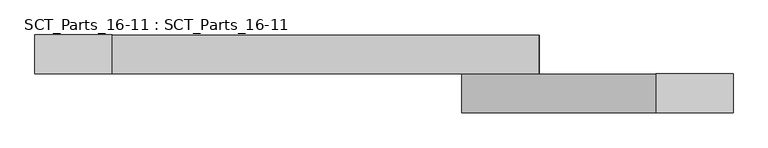
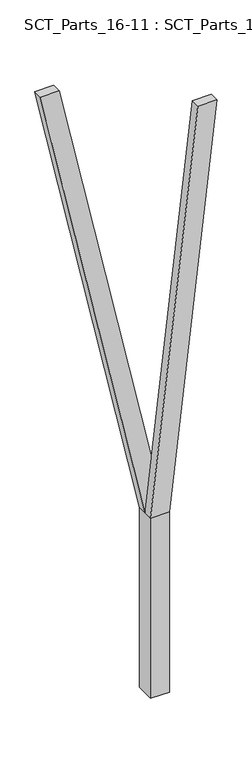
"""IFC4 building model written with IfcOpenShell, lengths in millimetres: proxy geometry, SCT_Parts_16-11 : SCT_Parts_16-11."""

import ifcopenshell
import ifcopenshell.guid

model = None  # the IFC model being written
_history = None  # IfcOwnerHistory: only IFC2X3 demands one
_inside = {}  # id of a spatial element -> (the spatial element, [elements in it])
_under = {}  # id of a project, library or spatial element -> (it, [spatial elements below it])
_declared = {}  # id of a project -> (the project, [libraries it declares])
_typed = {}  # id of a type object -> (the type object, [elements of that type])
_made_of = {}  # id of a material, layer set ... -> (it, [elements and type objects made of it])


def new_model(schema):
    """Start an empty IFC model of exactly this schema.

    Asked for "IFC4X3", IfcOpenShell would pick the latest addendum, in which some entities
    have other attributes; the version numbers below select the first issue.
    IFC2X3 requires an IfcOwnerHistory on every rooted entity: one is made here for all.
    """
    global model, _history
    if schema == "IFC4X3":
        model = ifcopenshell.file(schema_version=(4, 3, 0, 0))
    else:
        model = ifcopenshell.file(schema=schema)
    _inside.clear()
    _under.clear()
    _declared.clear()
    _typed.clear()
    _made_of.clear()
    _history = None
    if model.schema == "IFC2X3":
        org = make("IfcOrganization", Name="unknown")
        user = make(
            "IfcPersonAndOrganization",
            ThePerson=make("IfcPerson", FamilyName="unknown"),
            TheOrganization=org,
        )
        app = make(
            "IfcApplication",
            ApplicationDeveloper=org,
            Version="unknown",
            ApplicationFullName="unknown",
            ApplicationIdentifier="unknown",
        )
        _history = make(
            "IfcOwnerHistory",
            OwningUser=user,
            OwningApplication=app,
            ChangeAction="ADDED",
            CreationDate=0,
        )
    return model


def make(cls, **values):
    """One entity of the class cls with the attributes given. An attribute that is None is left unset."""
    return model.create_entity(
        cls, **{name: value for name, value in values.items() if value is not None}
    )


def rooted(cls, **values):
    """An entity with a GlobalId (a new one), such as an element, a storey or a relation."""
    return make(cls, GlobalId=ifcopenshell.guid.new(), OwnerHistory=_history, **values)


def si_unit(unit_type, name, prefix=None):
    """IfcSIUnit, for example si_unit("LENGTHUNIT", "METRE", prefix="MILLI")."""
    return make("IfcSIUnit", UnitType=unit_type, Prefix=prefix, Name=name)


def assignment(units):
    """IfcUnitAssignment: the units of a project."""
    return None if units is None else make("IfcUnitAssignment", Units=units)


def point(xyz):
    """IfcCartesianPoint."""
    return None if xyz is None else make("IfcCartesianPoint", Coordinates=xyz)


def direction(xyz):
    """IfcDirection."""
    return None if xyz is None else make("IfcDirection", DirectionRatios=xyz)


def frame(location, z_axis=None, x_axis=None):
    """IfcAxis2Placement3D, a coordinate frame: its origin and axes. An axis left out is left unset."""
    return make(
        "IfcAxis2Placement3D",
        Location=point(location),
        Axis=direction(z_axis),
        RefDirection=direction(x_axis),
    )


def origin():
    """The frame at (0, 0, 0) with its axes left unset."""
    return frame((0.0, 0.0, 0.0))


def origin_with_axes():
    """The frame at (0, 0, 0) with the z axis (0, 0, 1) and the x axis (1, 0, 0) written out."""
    return frame((0.0, 0.0, 0.0), z_axis=(0.0, 0.0, 1.0), x_axis=(1.0, 0.0, 0.0))


def place(relative_to, where):
    """IfcLocalPlacement: puts the frame where relative to a parent placement (None: the world)."""
    return make(
        "IfcLocalPlacement", PlacementRelTo=relative_to, RelativePlacement=where
    )


def context(
    kind, dimensions, precision=None, world=None, true_north=None, identifier=None
):
    """IfcGeometricRepresentationContext, for example the 3D "Model" context."""
    return make(
        "IfcGeometricRepresentationContext",
        ContextIdentifier=identifier,
        ContextType=kind,
        CoordinateSpaceDimension=dimensions,
        Precision=precision,
        WorldCoordinateSystem=world,
        TrueNorth=true_north,
    )


def project(units=None, contexts=None):
    """IfcProject with its units and contexts."""
    return rooted(
        "IfcProject",
        Name="project",
        RepresentationContexts=contexts,
        UnitsInContext=assignment(units),
    )


def spatial(cls, under=None, at=None, **own):
    """A site, building, storey or space (cls), placed at a placement, below another one or the project."""
    s = rooted(cls, ObjectPlacement=at, **own)
    if under is not None:
        _under.setdefault(under.id(), (under, []))[1].append(s)
    return s


def polyline(points):
    """IfcPolyline through the points."""
    return make("IfcPolyline", Points=[point(p) for p in points])


def outline(outer, holes=None, kind="AREA"):
    """IfcArbitraryClosedProfileDef: a profile drawn as a closed curve; with holes, ...WithVoids."""
    if holes is None:
        return make("IfcArbitraryClosedProfileDef", ProfileType=kind, OuterCurve=outer)
    return make(
        "IfcArbitraryProfileDefWithVoids",
        ProfileType=kind,
        OuterCurve=outer,
        InnerCurves=holes,
    )


def extrude(swept, where, along, depth):
    """IfcExtrudedAreaSolid: the profile swept, set in the frame where, extruded along a direction by depth."""
    return make(
        "IfcExtrudedAreaSolid",
        SweptArea=swept,
        Position=where,
        ExtrudedDirection=direction(along),
        Depth=depth,
    )


def shape(context_of_items, identifier, shape_type, items):
    """IfcShapeRepresentation: the items that make up one representation, for example the "Body"."""
    return make(
        "IfcShapeRepresentation",
        ContextOfItems=context_of_items,
        RepresentationIdentifier=identifier,
        RepresentationType=shape_type,
        Items=items,
    )


def source(mapping_origin, context_of_items, identifier, shape_type, items):
    """IfcRepresentationMap: a shape defined once, which mapped items show again and again."""
    return make(
        "IfcRepresentationMap",
        MappingOrigin=mapping_origin,
        MappedRepresentation=shape(context_of_items, identifier, shape_type, items),
    )


def transform(
    local_origin,
    x_axis=None,
    y_axis=None,
    z_axis=None,
    scale=None,
    scale2=None,
    scale3=None,
    uniform=True,
):
    """IfcCartesianTransformationOperator3D, or its non-uniform kind. x_axis, y_axis, z_axis: its Axis1, 2, 3."""
    if uniform:
        return make(
            "IfcCartesianTransformationOperator3D",
            Axis1=direction(x_axis),
            Axis2=direction(y_axis),
            LocalOrigin=point(local_origin),
            Scale=scale,
            Axis3=direction(z_axis),
        )
    return make(
        "IfcCartesianTransformationOperator3DnonUniform",
        Axis1=direction(x_axis),
        Axis2=direction(y_axis),
        LocalOrigin=point(local_origin),
        Scale=scale,
        Axis3=direction(z_axis),
        Scale2=scale2,
        Scale3=scale3,
    )


def mapped(mapping_source, mapping_target):
    """IfcMappedItem: shows the shape of a source again, moved by a transform."""
    return make(
        "IfcMappedItem", MappingSource=mapping_source, MappingTarget=mapping_target
    )


def made_of(thing, what):
    """Note that an element or type object is made of a material, layer set ...; save() writes the relation."""
    if what is not None:
        _made_of.setdefault(what.id(), (what, []))[1].append(thing)
    return thing


def element(
    cls,
    number,
    at=None,
    inside=None,
    cuts=None,
    type_object=None,
    material=None,
    context=None,
    identifier="Body",
    shape_type=None,
    held_by="IfcProductDefinitionShape",
    body=None,
    shapes=None,
    **own,
):
    """One element of the class cls, such as IfcWall. Its Tag is "e" and its number.

    at: its placement. inside: the storey or other place that contains it. cuts: it is an
    opening in that element (IfcRelVoidsElement). A single representation is given by context,
    identifier, shape_type and body (its items); several are given by shapes. held_by: the class
    of the entity that holds the representations. save() writes the other relations.
    """
    e = rooted(cls, Tag="e%d" % number, ObjectPlacement=at, **own)
    if body is not None:
        shapes = [shape(context, identifier, shape_type, body)]
    if shapes is not None:
        e.Representation = make(held_by, Representations=shapes)
    if inside is not None:
        _inside.setdefault(inside.id(), (inside, []))[1].append(e)
    if cuts is not None:
        rooted(
            "IfcRelVoidsElement", RelatingBuildingElement=cuts, RelatedOpeningElement=e
        )
    if type_object is not None:
        _typed.setdefault(type_object.id(), (type_object, []))[1].append(e)
    return made_of(e, material)


def aggregate(whole, parts):
    """IfcRelAggregates: a whole, such as a stair, and the parts it consists of."""
    return rooted("IfcRelAggregates", RelatingObject=whole, RelatedObjects=parts)


def save(model, path):
    """Write the relations noted so far, then the file.

    IfcRelAggregates (storeys below a building ...), IfcRelContainedInSpatialStructure (elements
    in a storey), IfcRelDefinesByType, IfcRelAssociatesMaterial and IfcRelDeclares: one each for
    every whole, place, type object, material and project.
    """
    for whole, parts in _under.values():
        aggregate(whole, parts)
    for where, things in _inside.values():
        rooted(
            "IfcRelContainedInSpatialStructure",
            RelatedElements=things,
            RelatingStructure=where,
        )
    for kind, things in _typed.values():
        rooted("IfcRelDefinesByType", RelatedObjects=things, RelatingType=kind)
    for what, things in _made_of.values():
        rooted("IfcRelAssociatesMaterial", RelatedObjects=things, RelatingMaterial=what)
    for by, libraries in _declared.values():
        rooted("IfcRelDeclares", RelatingContext=by, RelatedDefinitions=libraries)
    model.write(path)


def sct_parts_16_11_sct_parts_16_11_d686e348(model_context):
    return source(origin(), model_context, "Body", "SweptSolid", [
        extrude(outline(polyline([(2000.0, 200.0), (6400.0, 700.0), (6400.0, 500.0), (2000.0, 0.0), (2000.0, 200.0)])), frame((0.0, -200.0, 0.0), z_axis=(0.0, 1.0, 0.0), x_axis=(0.0, 0.0, 1.0)), (0.0, 0.0, 1.0), 100.0),
        extrude(outline(polyline([(2000.0, 0.0), (2000.0, 200.0), (7000.0, -900.0), (7000.0, -1100.0), (2000.0, 0.0)])), frame((0.0, -100.0, 0.0), z_axis=(0.0, 1.0, 0.0), x_axis=(0.0, 0.0, 1.0)), (0.0, 0.0, 1.0), 100.0),
        extrude(outline(polyline([(200.0, -200.0), (0.0, -200.0), (0.0, 0.0), (200.0, 0.0), (200.0, -200.0)])), origin_with_axes(), (0.0, 0.0, 1.0), 2000.0),
    ])


if __name__ == "__main__":
    model = new_model("IFC4")
    model_context = context("Model", 3, world=origin())
    ifc_project = project(units=[si_unit("LENGTHUNIT", "METRE", prefix="MILLI")], contexts=[model_context])
    site = spatial("IfcSite", under=ifc_project)
    building = spatial("IfcBuilding", under=site)
    placement = place(None, origin())
    sct_parts_16_11_sct_parts_16_11_shape = sct_parts_16_11_sct_parts_16_11_d686e348(model_context)
    element("IfcBuildingElementProxy", 1, Name="SCT_Parts_16-11 : SCT_Parts_16-11", ObjectType="SCT_Parts_16-11 : SCT_Parts_16-11", at=placement, inside=building, context=model_context, shape_type="MappedRepresentation", body=[
        mapped(sct_parts_16_11_sct_parts_16_11_shape, transform((0.0, 0.0, 0.0), x_axis=(1.0, 0.0, 0.0), y_axis=(0.0, 1.0, 0.0), z_axis=(0.0, 0.0, 1.0))),
    ])
    save(model, "model.ifc")
